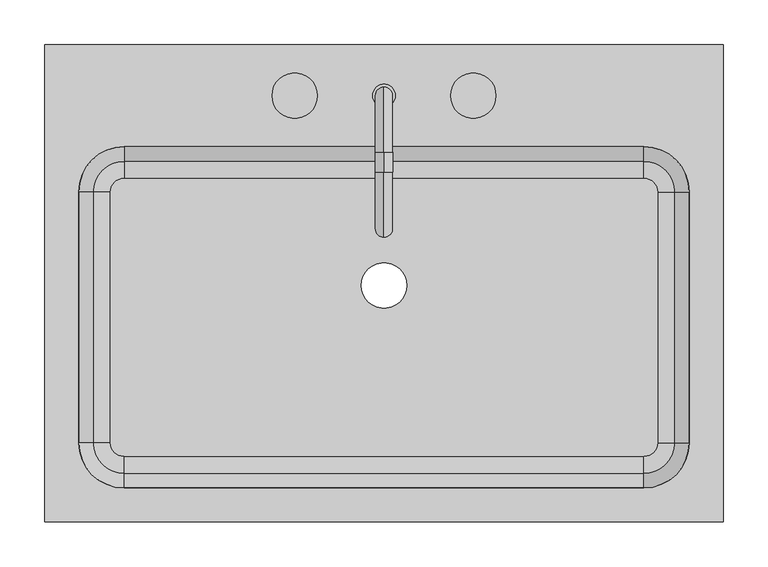
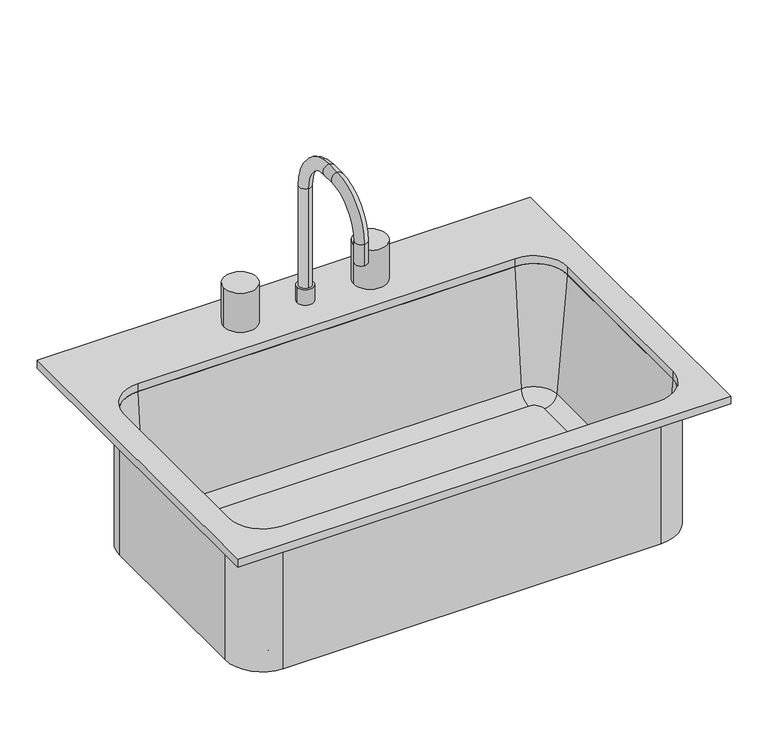
"""IFC4 building model written with IfcOpenShell, lengths in millimetres: flow terminal geometry."""

from ifc_helpers import new_model, si_unit, point, frame, frame_2d, origin, place, context, project, spatial, polyline, circle_curve, ellipse_curve, trimmed, segment, composite_curve, outline, extrude, source, transform, mapped, element, save
from ifc_brep_helpers import plane_surface, cylinder_surface, revolved_surface, advanced_brep


def flow_terminal_74321b3d(model_context):
    return source(origin(), model_context, "Body", "SolidModel", [
        advanced_brep(
        [(363.9392406, 104.7454011, 684.1), (306.7892406, 161.8954011, 684.1), (306.7892406, 161.8954011, 900.0), (363.9392406, 104.7454011, 900.0), (363.9392406, -176.2545989, 684.1), (306.7892406, -233.4045989, 684.1), (-275.4107594, -233.4045989, 684.1), (-332.5607594, -176.2545989, 684.1), (-332.5607594, 104.7454011, 684.1), (-275.4107594, 161.8954011, 684.1), (-9.7107594, 0.0, 684.1), (41.0892406, 0.0, 684.1), (322.0776588, 104.7454011, 693.625), (306.7892406, 120.0338193, 693.625), (-275.4107594, 120.0338193, 693.625), (-290.6991776, 104.7454011, 693.625), (-290.6991776, -176.2545989, 693.625), (-275.4107594, -191.5430171, 693.625), (306.7892406, -191.5430171, 693.625), (322.0776588, -176.2545989, 693.625), (-9.7107594, 0.0, 693.625), (41.0892406, 0.0, 693.625), (341.0551678, 104.7454011, 711.0146831), (306.7892406, 139.0113283, 711.0146831), (357.5892406, 104.7454011, 900.0), (306.7892406, 155.5454011, 900.0), (363.9392406, -176.2545989, 900.0), (341.0551678, -176.2545989, 711.0146831), (357.5892406, -176.2545989, 900.0), (306.7892406, -233.4045989, 900.0), (306.7892406, -210.5205261, 711.0146831), (306.7892406, -227.0545989, 900.0), (-275.4107594, -233.4045989, 900.0), (-275.4107594, -210.5205261, 711.0146831), (-275.4107594, -227.0545989, 900.0), (-332.5607594, -176.2545989, 900.0), (-309.6766866, -176.2545989, 711.0146831), (-326.2107594, -176.2545989, 900.0), (-332.5607594, 104.7454011, 900.0), (-309.6766866, 104.7454011, 711.0146831), (-326.2107594, 104.7454011, 900.0), (-275.4107594, 161.8954011, 900.0), (-275.4107594, 139.0113283, 711.0146831), (-275.4107594, 155.5454011, 900.0)],
        [
            (0, 1, circle_curve(frame((306.7892406, 104.7454011, 684.1), z_axis=(0.0, 0.0, 1.0), x_axis=(0.0, 1.0, 0.0)), 57.15)),
            (1, 2),
            (2, 3, circle_curve(frame((306.7892406, 104.7454011, 900.0), z_axis=(0.0, 0.0, -1.0), x_axis=(0.0, 1.0, 0.0)), 57.15)),
            (3, 0),
            (0, 4),
            (4, 5, circle_curve(frame((306.7892406, -176.2545989, 684.1), z_axis=(0.0, 0.0, -1.0), x_axis=(1.0, 0.0, 0.0)), 57.15)),
            (5, 6),
            (6, 7, circle_curve(frame((-275.4107594, -176.2545989, 684.1), z_axis=(0.0, 0.0, -1.0), x_axis=(0.0, -1.0, 0.0)), 57.15)),
            (7, 8),
            (8, 9, circle_curve(frame((-275.4107594, 104.7454011, 684.1), z_axis=(0.0, 0.0, -1.0), x_axis=(-1.0, 0.0, 0.0)), 57.15)),
            (9, 1),
            (10, 11, circle_curve(frame((15.6892406, 0.0, 684.1), z_axis=(0.0, 0.0, 1.0), x_axis=(1.0, 0.0, 0.0)), 25.4)),
            (11, 10, circle_curve(frame((15.6892406, 0.0, 684.1), z_axis=(0.0, 0.0, 1.0), x_axis=(1.0, 0.0, 0.0)), 25.4)),
            (12, 13, circle_curve(frame((306.7892406, 104.7454011, 693.625), z_axis=(0.0, 0.0, 1.0), x_axis=(0.0, 1.0, 0.0)), 15.2884182)),
            (13, 14),
            (14, 15, circle_curve(frame((-275.4107594, 104.7454011, 693.625), z_axis=(0.0, 0.0, 1.0), x_axis=(-1.0, 0.0, 0.0)), 15.2884182)),
            (15, 16),
            (16, 17, circle_curve(frame((-275.4107594, -176.2545989, 693.625), z_axis=(0.0, 0.0, 1.0), x_axis=(0.0, -1.0, 0.0)), 15.2884182)),
            (17, 18),
            (18, 19, circle_curve(frame((306.7892406, -176.2545989, 693.625), z_axis=(0.0, 0.0, 1.0), x_axis=(1.0, 0.0, 0.0)), 15.2884182)),
            (19, 12),
            (20, 21, circle_curve(frame((15.6892406, 0.0, 693.625), z_axis=(0.0, 0.0, -1.0), x_axis=(1.0, 0.0, 0.0)), 25.4)),
            (21, 20, circle_curve(frame((15.6892406, 0.0, 693.625), z_axis=(0.0, 0.0, -1.0), x_axis=(1.0, 0.0, 0.0)), 25.4)),
            (12, 22, circle_curve(frame((322.0776588, 104.7454011, 712.675), z_axis=(0.0, -1.0, 0.0), x_axis=(1.0, 0.0, 0.0)), 19.05)),
            (22, 23, circle_curve(frame((306.7892406, 104.7454011, 711.0146831), z_axis=(0.0, 0.0, 1.0), x_axis=(0.0, 1.0, 0.0)), 34.2659272)),
            (23, 13, circle_curve(frame((306.7892406, 120.0338193, 712.675), z_axis=(-1.0, 0.0, 0.0), x_axis=(0.0, 1.0, 0.0)), 19.05)),
            (22, 24),
            (24, 25, circle_curve(frame((306.7892406, 104.7454011, 900.0), z_axis=(0.0, 0.0, 1.0), x_axis=(0.0, 1.0, 0.0)), 50.8)),
            (25, 23),
            (2, 25),
            (24, 3),
            (3, 26),
            (26, 4),
            (19, 27, circle_curve(frame((322.0776588, -176.2545989, 712.675), z_axis=(0.0, -1.0, 0.0), x_axis=(1.0, 0.0, 0.0)), 19.05)),
            (27, 22),
            (27, 28),
            (28, 24),
            (28, 26),
            (26, 29, circle_curve(frame((306.7892406, -176.2545989, 900.0), z_axis=(0.0, 0.0, -1.0), x_axis=(1.0, 0.0, 0.0)), 57.15)),
            (29, 5),
            (18, 30, circle_curve(frame((306.7892406, -191.5430171, 712.675), z_axis=(-1.0, 0.0, 0.0), x_axis=(0.0, -1.0, 0.0)), 19.05)),
            (30, 27, circle_curve(frame((306.7892406, -176.2545989, 711.0146831), z_axis=(0.0, 0.0, 1.0), x_axis=(1.0, 0.0, 0.0)), 34.2659272)),
            (30, 31),
            (31, 28, circle_curve(frame((306.7892406, -176.2545989, 900.0), z_axis=(0.0, 0.0, 1.0), x_axis=(1.0, 0.0, 0.0)), 50.8)),
            (31, 29),
            (29, 32),
            (32, 6),
            (17, 33, circle_curve(frame((-275.4107594, -191.5430171, 712.675), z_axis=(-1.0, 0.0, 0.0), x_axis=(0.0, -1.0, 0.0)), 19.05)),
            (33, 30),
            (33, 34),
            (34, 31),
            (34, 32),
            (32, 35, circle_curve(frame((-275.4107594, -176.2545989, 900.0), z_axis=(0.0, 0.0, -1.0), x_axis=(0.0, -1.0, 0.0)), 57.15)),
            (35, 7),
            (16, 36, circle_curve(frame((-290.6991776, -176.2545989, 712.675), z_axis=(0.0, 1.0, 0.0), x_axis=(-1.0, 0.0, 0.0)), 19.05)),
            (36, 33, circle_curve(frame((-275.4107594, -176.2545989, 711.0146831), z_axis=(0.0, 0.0, 1.0), x_axis=(0.0, -1.0, 0.0)), 34.2659272)),
            (36, 37),
            (37, 34, circle_curve(frame((-275.4107594, -176.2545989, 900.0), z_axis=(0.0, 0.0, 1.0), x_axis=(0.0, -1.0, 0.0)), 50.8)),
            (37, 35),
            (35, 38),
            (38, 8),
            (15, 39, circle_curve(frame((-290.6991776, 104.7454011, 712.675), z_axis=(0.0, 1.0, 0.0), x_axis=(-1.0, 0.0, 0.0)), 19.05)),
            (39, 36),
            (39, 40),
            (40, 37),
            (40, 38),
            (38, 41, circle_curve(frame((-275.4107594, 104.7454011, 900.0), z_axis=(0.0, 0.0, -1.0), x_axis=(-1.0, 0.0, 0.0)), 57.15)),
            (41, 9),
            (14, 42, circle_curve(frame((-275.4107594, 120.0338193, 712.675), z_axis=(1.0, 0.0, 0.0), x_axis=(0.0, 1.0, 0.0)), 19.05)),
            (42, 39, circle_curve(frame((-275.4107594, 104.7454011, 711.0146831), z_axis=(0.0, 0.0, 1.0), x_axis=(-1.0, 0.0, 0.0)), 34.2659272)),
            (42, 43),
            (43, 40, circle_curve(frame((-275.4107594, 104.7454011, 900.0), z_axis=(0.0, 0.0, 1.0), x_axis=(-1.0, 0.0, 0.0)), 50.8)),
            (43, 41),
            (41, 2),
            (23, 42),
            (25, 43),
            (20, 10),
            (11, 21),
        ],
        [
            cylinder_surface(frame((306.7892406, 104.7454011, 0.0), z_axis=(0.0, 0.0, -1.0), x_axis=(0.0, 1.0, 0.0)), 57.15),
            plane_surface(frame((306.7892406, 104.7454011, 684.1), z_axis=(0.0, 0.0, -1.0), x_axis=(0.0, 1.0, 0.0))),
            plane_surface(frame((306.7892406, 104.7454011, 693.625), z_axis=(0.0, 0.0, 1.0), x_axis=(0.0, 1.0, 0.0))),
            revolved_surface(trimmed(ellipse_curve(frame((306.7892406, 120.0338193, 712.675), z_axis=(1.0, 0.0, 0.0), x_axis=(0.0, 1.0, 0.0)), 19.05, 19.05), [point((306.7892406, 120.0338193, 693.625))], [point((306.7892406, 139.0113283, 711.0146831))], True, "CARTESIAN"), (306.7892406, 104.7454011, 0.0), (0.0, 0.0, -1.0)),
            revolved_surface(polyline([(306.7892406, 139.0113283, 711.0146831), (306.7892406, 155.5454011, 900.0)]), (306.7892406, 104.7454011, 0.0), (0.0, 0.0, -1.0)),
            plane_surface(frame((306.7892406, 104.7454011, 900.0), z_axis=(0.0, 0.0, 1.0), x_axis=(0.0, 1.0, 0.0))),
            plane_surface(frame((363.9392406, 104.7454011, 900.0), z_axis=(1.0, 0.0, 0.0), x_axis=(0.0, -1.0, 0.0))),
            revolved_surface(polyline([(341.1276588, -176.25459890000002, 712.675), (341.1276588, 104.7454011, 712.675)]), (322.0776588, 104.7454011, 712.675), (0.0, -1.0, 0.0)),
            plane_surface(frame((341.0551678, 104.7454011, 711.0146831), z_axis=(-0.9961946980917443, 0.0, 0.08715574274767235), x_axis=(0.0, -1.0, 0.0))),
            plane_surface(frame((357.5892406, 104.7454011, 900.0), z_axis=(0.0, 0.0, 1.0), x_axis=(0.0, -1.0, 0.0))),
            cylinder_surface(frame((306.7892406, -176.2545989, 0.0), z_axis=(0.0, 0.0, -1.0), x_axis=(1.0, 0.0, 0.0)), 57.15),
            revolved_surface(trimmed(ellipse_curve(frame((322.0776588, -176.2545989, 712.675), z_axis=(0.0, -1.0, 0.0), x_axis=(1.0, 0.0, 0.0)), 19.05, 19.05), [point((322.0776588, -176.2545989, 693.625))], [point((341.0551678, -176.2545989, 711.0146831))], True, "CARTESIAN"), (306.7892406, -176.2545989, 0.0), (0.0, 0.0, -1.0)),
            revolved_surface(polyline([(341.0551678, -176.2545989, 711.0146831), (357.5892406, -176.2545989, 900.0)]), (306.7892406, -176.2545989, 0.0), (0.0, 0.0, -1.0)),
            plane_surface(frame((306.7892406, -176.2545989, 900.0), z_axis=(0.0, 0.0, 1.0), x_axis=(1.0, 0.0, 0.0))),
            plane_surface(frame((306.7892406, -233.4045989, 900.0), z_axis=(0.0, -1.0, 0.0), x_axis=(-1.0, 0.0, 0.0))),
            revolved_surface(polyline([(-275.4107594, -210.5930171, 712.675), (306.7892406, -210.5930171, 712.675)]), (306.7892406, -191.5430171, 712.675), (-1.0, 0.0, 0.0)),
            plane_surface(frame((306.7892406, -210.5205261, 711.0146831), z_axis=(0.0, 0.9961946980917443, 0.08715574274767235), x_axis=(-1.0, 0.0, 0.0))),
            plane_surface(frame((306.7892406, -227.0545989, 900.0), z_axis=(0.0, 0.0, 1.0), x_axis=(-1.0, 0.0, 0.0))),
            cylinder_surface(frame((-275.4107594, -176.2545989, 0.0), z_axis=(0.0, 0.0, -1.0), x_axis=(0.0, -1.0, 0.0)), 57.15),
            revolved_surface(trimmed(ellipse_curve(frame((-275.4107594, -191.5430171, 712.675), z_axis=(-1.0, 0.0, 0.0), x_axis=(0.0, -1.0, 0.0)), 19.05, 19.05), [point((-275.4107594, -191.5430171, 693.625))], [point((-275.4107594, -210.5205261, 711.0146831))], True, "CARTESIAN"), (-275.4107594, -176.2545989, 0.0), (0.0, 0.0, -1.0)),
            revolved_surface(polyline([(-275.4107594, -210.5205261, 711.0146831), (-275.4107594, -227.0545989, 900.0)]), (-275.4107594, -176.2545989, 0.0), (0.0, 0.0, -1.0)),
            plane_surface(frame((-275.4107594, -176.2545989, 900.0), z_axis=(0.0, 0.0, 1.0), x_axis=(0.0, -1.0, 0.0))),
            plane_surface(frame((-332.5607594, -176.2545989, 900.0), z_axis=(-1.0, 0.0, 0.0), x_axis=(0.0, 1.0, 0.0))),
            revolved_surface(polyline([(-309.7491776, 104.74540110000001, 712.675), (-309.7491776, -176.2545989, 712.675)]), (-290.6991776, -176.2545989, 712.675), (0.0, 1.0, 0.0)),
            plane_surface(frame((-309.6766866, -176.2545989, 711.0146831), z_axis=(0.9961946980917443, 0.0, 0.08715574274767235), x_axis=(0.0, 1.0, 0.0))),
            plane_surface(frame((-326.2107594, -176.2545989, 900.0), z_axis=(0.0, 0.0, 1.0), x_axis=(0.0, 1.0, 0.0))),
            cylinder_surface(frame((-275.4107594, 104.7454011, 0.0), z_axis=(0.0, 0.0, -1.0), x_axis=(-1.0, 0.0, 0.0)), 57.15),
            revolved_surface(trimmed(ellipse_curve(frame((-290.6991776, 104.7454011, 712.675), z_axis=(0.0, 1.0, 0.0), x_axis=(-1.0, 0.0, 0.0)), 19.05, 19.05), [point((-290.6991776, 104.7454011, 693.625))], [point((-309.6766866, 104.7454011, 711.0146831))], True, "CARTESIAN"), (-275.4107594, 104.7454011, 0.0), (0.0, 0.0, -1.0)),
            revolved_surface(polyline([(-309.6766866, 104.7454011, 711.0146831), (-326.2107594, 104.7454011, 900.0)]), (-275.4107594, 104.7454011, 0.0), (0.0, 0.0, -1.0)),
            plane_surface(frame((-275.4107594, 104.7454011, 900.0), z_axis=(0.0, 0.0, 1.0), x_axis=(-1.0, 0.0, 0.0))),
            plane_surface(frame((-275.4107594, 161.8954011, 900.0), z_axis=(0.0, 1.0, 0.0), x_axis=(1.0, 0.0, 0.0))),
            revolved_surface(polyline([(306.7892406, 139.08381930000002, 712.675), (-275.4107594, 139.08381930000002, 712.675)]), (-275.4107594, 120.0338193, 712.675), (1.0, 0.0, 0.0)),
            plane_surface(frame((-275.4107594, 139.0113283, 711.0146831), z_axis=(0.0, -0.9961946980917443, 0.08715574274767235), x_axis=(1.0, 0.0, 0.0))),
            plane_surface(frame((-275.4107594, 155.5454011, 900.0), z_axis=(0.0, 0.0, 1.0), x_axis=(1.0, 0.0, 0.0))),
            revolved_surface(polyline([(41.0892406, 0.0, 684.1), (41.0892406, 0.0, 693.625)]), (15.6892406, 0.0, 0.0), (0.0, 0.0, -1.0)),
        ],
        [
            (0, [[1, 2, 3, 4]]),
            (1, [[-1, 5, 6, 7, 8, 9, 10, 11], [12, 13]]),
            (2, [[14, 15, 16, 17, 18, 19, 20, 21], [22, 23]]),
            (3, [[-14, 24, 25, 26]]),
            (4, [[-25, 27, 28, 29]]),
            (5, [[-3, 30, -28, 31]]),
            (6, [[-4, 32, 33, -5]]),
            (7, [[-24, -21, 34, 35]]),
            (8, [[-27, -35, 36, 37]]),
            (9, [[-31, -37, 38, -32]]),
            (10, [[-33, 39, 40, -6]]),
            (11, [[-34, -20, 41, 42]]),
            (12, [[-36, -42, 43, 44]]),
            (13, [[-38, -44, 45, -39]]),
            (14, [[-40, 46, 47, -7]]),
            (15, [[-41, -19, 48, 49]]),
            (16, [[-43, -49, 50, 51]]),
            (17, [[-45, -51, 52, -46]]),
            (18, [[-47, 53, 54, -8]]),
            (19, [[-48, -18, 55, 56]]),
            (20, [[-50, -56, 57, 58]]),
            (21, [[-52, -58, 59, -53]]),
            (22, [[-54, 60, 61, -9]]),
            (23, [[-55, -17, 62, 63]]),
            (24, [[-57, -63, 64, 65]]),
            (25, [[-59, -65, 66, -60]]),
            (26, [[-61, 67, 68, -10]]),
            (27, [[-62, -16, 69, 70]]),
            (28, [[-64, -70, 71, 72]]),
            (29, [[-66, -72, 73, -67]]),
            (30, [[-2, -11, -68, 74]]),
            (31, [[-26, 75, -69, -15]]),
            (32, [[-29, 76, -71, -75]]),
            (33, [[-30, -74, -73, -76]]),
            (34, [[-22, 77, -13, 78]]),
            (34, [[-23, -78, -12, -77]]),
        ],
    ),
        advanced_brep(
        [(2.9892406, 212.6954011, 938.1), (28.3892406, 212.6954011, 938.1), (15.6892406, 222.2204011, 938.1), (15.6892406, 203.1704011, 938.1), (2.9892406, 212.6954011, 912.7), (28.3892406, 212.6954011, 912.7), (15.6892406, 222.2204011, 1100.025), (15.6892406, 203.1704011, 1100.025), (15.6892406, 149.1954011, 1173.05), (15.6892406, 149.1954011, 1154.0), (15.6892406, 126.9704011, 1173.05), (15.6892406, 126.9704011, 1154.0), (15.6892406, 53.9454011, 1100.025), (15.6892406, 72.9954011, 1100.025), (15.6892406, 53.9454011, 1065.1), (15.6892406, 72.9954011, 1065.1)],
        [
            (0, 1, circle_curve(frame((15.6892406, 212.6954011, 938.1), z_axis=(0.0, 0.0, 1.0), x_axis=(1.0, 0.0, 0.0)), 12.7)),
            (1, 0, circle_curve(frame((15.6892406, 212.6954011, 938.1), z_axis=(0.0, 0.0, 1.0), x_axis=(1.0, 0.0, 0.0)), 12.7)),
            (2, 3, circle_curve(frame((15.6892406, 212.6954011, 938.1), z_axis=(0.0, 0.0, -1.0), x_axis=(0.0, -1.0, 0.0)), 9.525)),
            (3, 2, circle_curve(frame((15.6892406, 212.6954011, 938.1), z_axis=(0.0, 0.0, -1.0), x_axis=(0.0, -1.0, 0.0)), 9.525)),
            (4, 5, circle_curve(frame((15.6892406, 212.6954011, 912.7), z_axis=(0.0, 0.0, -1.0), x_axis=(1.0, 0.0, 0.0)), 12.7)),
            (5, 4, circle_curve(frame((15.6892406, 212.6954011, 912.7), z_axis=(0.0, 0.0, -1.0), x_axis=(1.0, 0.0, 0.0)), 12.7)),
            (0, 4),
            (5, 1),
            (6, 7, circle_curve(frame((15.6892406, 212.6954011, 1100.025), z_axis=(0.0, 0.0, -1.0), x_axis=(0.0, -1.0, 0.0)), 9.525)),
            (7, 3),
            (2, 6),
            (7, 6, circle_curve(frame((15.6892406, 212.6954011, 1100.025), z_axis=(0.0, 0.0, -1.0), x_axis=(0.0, -1.0, 0.0)), 9.525)),
            (6, 8, circle_curve(frame((15.6892406, 149.1954011, 1100.025), z_axis=(1.0, 0.0, 0.0), x_axis=(0.0, 1.0, 0.0)), 73.025)),
            (8, 9, circle_curve(frame((15.6892406, 149.1954011, 1163.525), z_axis=(0.0, 1.0, 0.0), x_axis=(0.0, 0.0, -1.0)), 9.525)),
            (9, 7, circle_curve(frame((15.6892406, 149.1954011, 1100.025), z_axis=(-1.0, 0.0, 0.0), x_axis=(0.0, 1.0, 0.0)), 53.975)),
            (9, 8, circle_curve(frame((15.6892406, 149.1954011, 1163.525), z_axis=(0.0, 1.0, 0.0), x_axis=(0.0, 0.0, -1.0)), 9.525)),
            (8, 10),
            (10, 11, circle_curve(frame((15.6892406, 126.9704011, 1163.525), z_axis=(0.0, 1.0, 0.0), x_axis=(0.0, 0.0, -1.0)), 9.525)),
            (11, 9),
            (11, 10, circle_curve(frame((15.6892406, 126.9704011, 1163.525), z_axis=(0.0, 1.0, 0.0), x_axis=(0.0, 0.0, -1.0)), 9.525)),
            (10, 12, circle_curve(frame((15.6892406, 126.9704011, 1100.025), z_axis=(1.0, 0.0, 0.0), x_axis=(0.0, 0.0, 1.0)), 73.025)),
            (12, 13, circle_curve(frame((15.6892406, 63.4704011, 1100.025), z_axis=(0.0, 0.0, 1.0), x_axis=(0.0, 1.0, 0.0)), 9.525)),
            (13, 11, circle_curve(frame((15.6892406, 126.9704011, 1100.025), z_axis=(-1.0, 0.0, 0.0), x_axis=(0.0, 0.0, 1.0)), 53.975)),
            (13, 12, circle_curve(frame((15.6892406, 63.4704011, 1100.025), z_axis=(0.0, 0.0, 1.0), x_axis=(0.0, 1.0, 0.0)), 9.525)),
            (14, 15, circle_curve(frame((15.6892406, 63.4704011, 1065.1), z_axis=(0.0, 0.0, -1.0), x_axis=(0.0, 1.0, 0.0)), 9.525)),
            (15, 14, circle_curve(frame((15.6892406, 63.4704011, 1065.1), z_axis=(0.0, 0.0, -1.0), x_axis=(0.0, 1.0, 0.0)), 9.525)),
            (12, 14),
            (15, 13),
        ],
        [
            plane_surface(frame((28.3892406, 212.6954011, 938.1), z_axis=(0.0, 0.0, 1.0), x_axis=(0.0, 1.0, 0.0))),
            plane_surface(frame((28.3892406, 212.6954011, 912.7), z_axis=(0.0, 0.0, -1.0), x_axis=(0.0, -1.0, 0.0))),
            cylinder_surface(frame((15.6892406, 212.6954011, 912.7), z_axis=(0.0, 0.0, 1.0), x_axis=(1.0, 0.0, 0.0)), 12.7),
            cylinder_surface(frame((15.6892406, 212.6954011, 912.7), z_axis=(0.0, 0.0, -1.0), x_axis=(0.0, -1.0, 0.0)), 9.525),
            revolved_surface(trimmed(ellipse_curve(frame((15.6892406, 212.6954011, 1100.025), z_axis=(0.0, 0.0, -1.0), x_axis=(0.0, -1.0, 0.0)), 9.525, 9.525), [point((15.6892406, 222.2204011, 1100.025))], [point((15.6892406, 203.1704011, 1100.025))], True, "CARTESIAN"), (15.6892406, 149.1954011, 1100.025), (1.0, 0.0, 0.0)),
            revolved_surface(trimmed(ellipse_curve(frame((15.6892406, 212.6954011, 1100.025), z_axis=(0.0, 0.0, -1.0), x_axis=(0.0, -1.0, 0.0)), 9.525, 9.525), [point((15.6892406, 203.1704011, 1100.025))], [point((15.6892406, 222.2204011, 1100.025))], True, "CARTESIAN"), (15.6892406, 149.1954011, 1100.025), (1.0, 0.0, 0.0)),
            cylinder_surface(frame((15.6892406, 149.1954011, 1163.525), z_axis=(0.0, 1.0, 0.0), x_axis=(0.0, 0.0, -1.0)), 9.525),
            revolved_surface(trimmed(ellipse_curve(frame((15.6892406, 126.9704011, 1163.525), z_axis=(0.0, 1.0, 0.0), x_axis=(0.0, 0.0, -1.0)), 9.525, 9.525), [point((15.6892406, 126.9704011, 1173.05))], [point((15.6892406, 126.9704011, 1154.0))], True, "CARTESIAN"), (15.6892406, 126.9704011, 1100.025), (1.0, 0.0, 0.0)),
            revolved_surface(trimmed(ellipse_curve(frame((15.6892406, 126.9704011, 1163.525), z_axis=(0.0, 1.0, 0.0), x_axis=(0.0, 0.0, -1.0)), 9.525, 9.525), [point((15.6892406, 126.9704011, 1154.0))], [point((15.6892406, 126.9704011, 1173.05))], True, "CARTESIAN"), (15.6892406, 126.9704011, 1100.025), (1.0, 0.0, 0.0)),
            plane_surface(frame((15.6892406, 53.9454011, 1065.1), z_axis=(0.0, 0.0, -1.0), x_axis=(-1.0, 0.0, 0.0))),
            cylinder_surface(frame((15.6892406, 63.4704011, 1100.025), z_axis=(0.0, 0.0, 1.0), x_axis=(0.0, 1.0, 0.0)), 9.525),
        ],
        [
            (0, [[1, 2], [3, 4]]),
            (1, [[5, 6]]),
            (2, [[-1, 7, -6, 8]]),
            (2, [[-2, -8, -5, -7]]),
            (3, [[9, 10, -3, 11]]),
            (3, [[12, -11, -4, -10]]),
            (4, [[-9, 13, 14, 15]]),
            (5, [[-12, -15, 16, -13]]),
            (6, [[-14, 17, 18, 19]]),
            (6, [[-16, -19, 20, -17]]),
            (7, [[-18, 21, 22, 23]]),
            (8, [[-20, -23, 24, -21]]),
            (9, [[25, 26]]),
            (10, [[-22, 27, -26, 28]]),
            (10, [[-24, -28, -25, -27]]),
        ],
    ),
        extrude(outline(composite_curve([segment(trimmed(circle_curve(frame_2d((-84.3107594, 212.6954011)), 25.4), [point((-109.7107594, 212.6954011))], [point((-58.9107594, 212.6954011))], False, "CARTESIAN"), True, "CONTINUOUS"), segment(trimmed(circle_curve(frame_2d((-84.3107594, 212.6954011)), 25.4), [point((-58.9107594, 212.6954011))], [point((-109.7107594, 212.6954011))], False, "CARTESIAN"), True, "CONTINUOUS")], self_intersect=False)), frame((0.0, 0.0, 912.7), z_axis=(0.0, 0.0, 1.0), x_axis=(1.0, 0.0, 0.0)), (0.0, 0.0, 1.0), 63.5),
        extrude(outline(composite_curve([segment(trimmed(circle_curve(frame_2d((115.6892406, 212.6954011)), 25.4), [point((90.2892406, 212.6954011))], [point((141.0892406, 212.6954011))], False, "CARTESIAN"), True, "CONTINUOUS"), segment(trimmed(circle_curve(frame_2d((115.6892406, 212.6954011)), 25.4), [point((141.0892406, 212.6954011))], [point((90.2892406, 212.6954011))], False, "CARTESIAN"), True, "CONTINUOUS")], self_intersect=False)), frame((0.0, 0.0, 912.7), z_axis=(0.0, 0.0, 1.0), x_axis=(1.0, 0.0, 0.0)), (0.0, 0.0, 1.0), 63.5),
        extrude(outline(polyline([(395.6892406, 269.8454011), (395.6892406, -265.1545989), (-364.3107594, -265.1545989), (-364.3107594, 269.8454011), (395.6892406, 269.8454011)]), holes=[composite_curve([segment(polyline([(306.7892406, 155.5454011), (-275.4107594, 155.5454011)]), True, "CONTINUOUS"), segment(trimmed(circle_curve(frame_2d((-275.4107594, 104.7454011)), 50.8), [point((-275.4107594, 155.5454011))], [point((-326.2107594, 104.7454011))], True, "CARTESIAN"), True, "CONTINUOUS"), segment(polyline([(-326.2107594, 104.7454011), (-326.2107594, -176.2545989)]), True, "CONTINUOUS"), segment(trimmed(circle_curve(frame_2d((-275.4107594, -176.2545989)), 50.8), [point((-326.2107594, -176.2545989))], [point((-275.4107594, -227.0545989))], True, "CARTESIAN"), True, "CONTINUOUS"), segment(polyline([(-275.4107594, -227.0545989), (306.7892406, -227.0545989)]), True, "CONTINUOUS"), segment(trimmed(circle_curve(frame_2d((306.7892406, -176.2545989)), 50.8), [point((306.7892406, -227.0545989))], [point((357.5892406, -176.2545989))], True, "CARTESIAN"), True, "CONTINUOUS"), segment(polyline([(357.5892406, -176.2545989), (357.5892406, 104.7454011)]), True, "CONTINUOUS"), segment(trimmed(circle_curve(frame_2d((306.7892406, 104.7454011)), 50.8), [point((357.5892406, 104.7454011))], [point((306.7892406, 155.5454011))], True, "CARTESIAN"), True, "CONTINUOUS")], self_intersect=False)]), frame((0.0, 0.0, 900.0), z_axis=(0.0, 0.0, 1.0), x_axis=(1.0, 0.0, 0.0)), (0.0, 0.0, 1.0), 12.7),
    ])


if __name__ == "__main__":
    model = new_model("IFC4")
    model_context = context("Model", 3, world=origin())
    ifc_project = project(units=[si_unit("LENGTHUNIT", "METRE", prefix="MILLI")], contexts=[model_context])
    site = spatial("IfcSite", under=ifc_project)
    building = spatial("IfcBuilding", under=site)
    placement = place(None, origin())
    flow_terminal_shape = flow_terminal_74321b3d(model_context)
    element("IfcFlowTerminal", 1, at=placement, inside=building, context=model_context, shape_type="MappedRepresentation", body=[
        mapped(flow_terminal_shape, transform((0.0, 0.0, 0.0), x_axis=(1.0, 0.0, 0.0), y_axis=(0.0, 1.0, 0.0), z_axis=(0.0, 0.0, 1.0))),
    ])
    save(model, "model.ifc")
